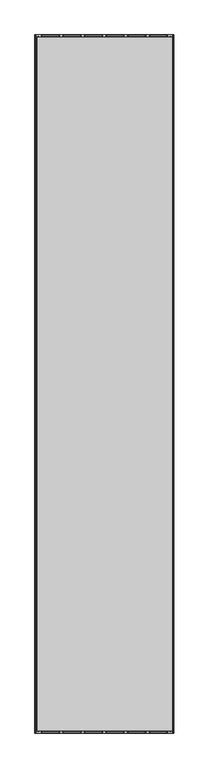
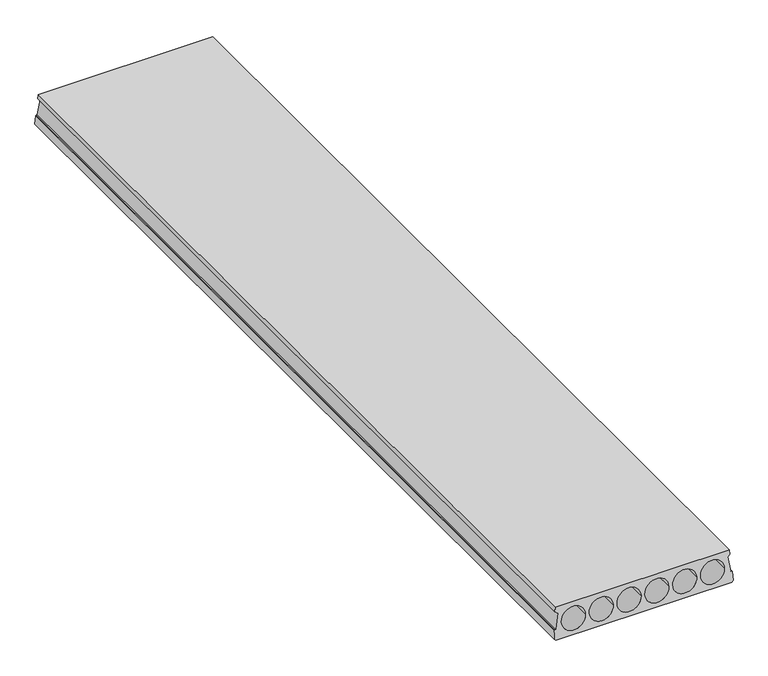
"""IFC4 building model written with IfcOpenShell, lengths in millimetres: beam geometry."""

from ifc_helpers import new_model, si_unit, frame, origin, place, context, project, spatial, polyline, ellipse_curve, source, transform, mapped, element, save
from ifc_brep_helpers import plane_surface, revolved_surface, advanced_brep


def beam_68b0482a(model_context):
    return source(origin(), model_context, "Body", "AdvancedBrep", [
        advanced_brep(
        [(10.0, 5980.0, 0.0), (1180.0, 5980.0, 0.0), (1180.0, 0.0, 0.0), (10.0, 0.0, 0.0), (1174.7696772, 15.0, 220.0), (1174.7696772, 5965.0, 220.0), (15.0, 5965.0, 220.0), (15.0, 15.0, 220.0), (12.8871596, 12.9831978, 190.4202344), (12.8871596, 5967.0168022, 190.4202344), (15.8795357, 5967.0313755, 190.2064933), (15.8795357, 12.9686245, 190.2064933), (29.9864516, 5967.9203443, 177.1682831), (29.9864516, 12.0796557, 177.1682831), (12.6021714, 5974.9446558, 74.1450488), (12.6021714, 5.0553442, 74.1450488), (7.3298897, 5975.1924012, 70.5114493), (7.3298897, 4.8075988, 70.5114493), (4.3580656, 5975.1582101, 71.0129189), (4.3580656, 4.8417899, 71.0129189), (0.0, 5979.3181818, 10.0), (0.0, 0.6818182, 10.0), (1190.0, 5979.3181818, 10.0), (1190.0, 0.6818182, 10.0), (1185.6391914, 5975.1555917, 71.051321), (1185.6391914, 4.8444083, 71.051321), (1182.4401418, 5975.1923971, 70.5115091), (1182.4401418, 4.8076029, 70.5115091), (1177.167566, 5974.9446379, 74.1453113), (1177.167566, 5.0553621, 74.1453113), (1159.9865416, 5967.9203386, 177.1683675), (1159.9865416, 12.0796614, 177.1683675), (1173.8901415, 5967.0313755, 190.2064933), (1173.8901415, 12.9686245, 190.2064933), (1176.8825176, 5967.0168022, 190.4202344), (1176.8825176, 12.9831978, 190.4202344), (212.0, 7.4401262, 109.1218503), (212.0, 5972.5598738, 109.1218503), (53.0, 5972.5598738, 109.1218503), (53.0, 7.4401262, 109.1218503), (397.0, 7.4401262, 109.1218503), (397.0, 5972.5598738, 109.1218503), (238.0, 5972.5598738, 109.1218503), (238.0, 7.4401262, 109.1218503), (423.0, 7.4401262, 109.1218503), (582.0, 7.4401262, 109.1218503), (608.0, 7.4401262, 109.1218503), (767.0, 7.4401262, 109.1218503), (793.0, 7.4401262, 109.1218503), (952.0, 7.4401262, 109.1218503), (978.0, 7.4401262, 109.1218503), (1137.0, 7.4401262, 109.1218503), (582.0, 5972.5598738, 109.1218503), (423.0, 5972.5598738, 109.1218503), (767.0, 5972.5598738, 109.1218503), (608.0, 5972.5598738, 109.1218503), (952.0, 5972.5598738, 109.1218503), (793.0, 5972.5598738, 109.1218503), (1137.0, 5972.5598738, 109.1218503), (978.0, 5972.5598738, 109.1218503)],
        [
            (0, 1),
            (1, 2),
            (2, 3),
            (3, 0),
            (4, 5),
            (5, 6),
            (6, 7),
            (7, 4),
            (8, 9),
            (9, 10),
            (10, 11),
            (11, 8),
            (10, 12),
            (12, 13),
            (13, 11),
            (12, 14),
            (14, 15),
            (15, 13),
            (14, 16),
            (16, 17),
            (17, 15),
            (16, 18),
            (18, 19),
            (19, 17),
            (18, 20),
            (20, 21),
            (21, 19),
            (3, 21),
            (20, 0),
            (1, 22),
            (22, 23),
            (23, 2),
            (22, 24),
            (24, 25),
            (25, 23),
            (24, 26),
            (26, 27),
            (27, 25),
            (26, 28),
            (28, 29),
            (29, 27),
            (28, 30),
            (30, 31),
            (31, 29),
            (30, 32),
            (32, 33),
            (33, 31),
            (32, 34),
            (34, 35),
            (35, 33),
            (34, 5),
            (4, 35),
            (36, 37),
            (37, 38, ellipse_curve(frame((132.5, 5972.5598738, 109.1218503), z_axis=(0.0, 0.9976836926815401, 0.0680238881373752), x_axis=(0.0, 0.06802388813737571, -0.9976836926815402)), 79.684574, 79.5)),
            (38, 39),
            (39, 36, ellipse_curve(frame((132.5, 7.4401262, 109.1218503), z_axis=(0.0, -0.9976836926815401, 0.06802388813737582), x_axis=(0.0, 0.06802388813737509, 0.9976836926815403)), 79.684574, 79.5)),
            (38, 37, ellipse_curve(frame((132.5, 5972.5598738, 109.1218503), z_axis=(0.0, 0.9976836926815401, 0.0680238881373752), x_axis=(0.0, 0.06802388813737571, -0.9976836926815402)), 79.684574, 79.5)),
            (36, 39, ellipse_curve(frame((132.5, 7.4401262, 109.1218503), z_axis=(0.0, -0.9976836926815401, 0.06802388813737582), x_axis=(0.0, 0.06802388813737509, 0.9976836926815403)), 79.684574, 79.5)),
            (40, 41),
            (41, 42, ellipse_curve(frame((317.5, 5972.5598738, 109.1218503), z_axis=(0.0, 0.9976836926815401, 0.0680238881373752), x_axis=(0.0, 0.06802388813737571, -0.9976836926815402)), 79.684574, 79.5)),
            (42, 43),
            (43, 40, ellipse_curve(frame((317.5, 7.4401262, 109.1218503), z_axis=(0.0, -0.9976836926815401, 0.06802388813737582), x_axis=(0.0, 0.06802388813737509, 0.9976836926815403)), 79.684574, 79.5)),
            (42, 41, ellipse_curve(frame((317.5, 5972.5598738, 109.1218503), z_axis=(0.0, 0.9976836926815401, 0.0680238881373752), x_axis=(0.0, 0.06802388813737571, -0.9976836926815402)), 79.684574, 79.5)),
            (40, 43, ellipse_curve(frame((317.5, 7.4401262, 109.1218503), z_axis=(0.0, -0.9976836926815401, 0.06802388813737582), x_axis=(0.0, 0.06802388813737509, 0.9976836926815403)), 79.684574, 79.5)),
            (7, 8),
            (44, 45, ellipse_curve(frame((502.5, 7.4401262, 109.1218503), z_axis=(0.0, 0.9976836926815401, -0.06802388813737582), x_axis=(0.0, 0.06802388813737509, 0.9976836926815403)), 79.684574, 79.5)),
            (45, 44, ellipse_curve(frame((502.5, 7.4401262, 109.1218503), z_axis=(0.0, 0.9976836926815401, -0.06802388813737582), x_axis=(0.0, 0.06802388813737509, 0.9976836926815403)), 79.684574, 79.5)),
            (46, 47, ellipse_curve(frame((687.5, 7.4401262, 109.1218503), z_axis=(0.0, 0.9976836926815401, -0.06802388813737582), x_axis=(0.0, 0.06802388813737509, 0.9976836926815403)), 79.684574, 79.5)),
            (47, 46, ellipse_curve(frame((687.5, 7.4401262, 109.1218503), z_axis=(0.0, 0.9976836926815401, -0.06802388813737582), x_axis=(0.0, 0.06802388813737509, 0.9976836926815403)), 79.684574, 79.5)),
            (48, 49, ellipse_curve(frame((872.5, 7.4401262, 109.1218503), z_axis=(0.0, 0.9976836926815401, -0.06802388813737582), x_axis=(0.0, 0.06802388813737509, 0.9976836926815403)), 79.684574, 79.5)),
            (49, 48, ellipse_curve(frame((872.5, 7.4401262, 109.1218503), z_axis=(0.0, 0.9976836926815401, -0.06802388813737582), x_axis=(0.0, 0.06802388813737509, 0.9976836926815403)), 79.684574, 79.5)),
            (50, 51, ellipse_curve(frame((1057.5, 7.4401262, 109.1218503), z_axis=(0.0, 0.9976836926815401, -0.06802388813737582), x_axis=(0.0, 0.06802388813737509, 0.9976836926815403)), 79.684574, 79.5)),
            (51, 50, ellipse_curve(frame((1057.5, 7.4401262, 109.1218503), z_axis=(0.0, 0.9976836926815401, -0.06802388813737582), x_axis=(0.0, 0.06802388813737509, 0.9976836926815403)), 79.684574, 79.5)),
            (9, 6),
            (52, 53, ellipse_curve(frame((502.5, 5972.5598738, 109.1218503), z_axis=(0.0, -0.9976836926815401, -0.0680238881373752), x_axis=(0.0, 0.06802388813737571, -0.9976836926815402)), 79.684574, 79.5)),
            (53, 52, ellipse_curve(frame((502.5, 5972.5598738, 109.1218503), z_axis=(0.0, -0.9976836926815401, -0.0680238881373752), x_axis=(0.0, 0.06802388813737571, -0.9976836926815402)), 79.684574, 79.5)),
            (54, 55, ellipse_curve(frame((687.5, 5972.5598738, 109.1218503), z_axis=(0.0, -0.9976836926815401, -0.0680238881373752), x_axis=(0.0, 0.06802388813737571, -0.9976836926815402)), 79.684574, 79.5)),
            (55, 54, ellipse_curve(frame((687.5, 5972.5598738, 109.1218503), z_axis=(0.0, -0.9976836926815401, -0.0680238881373752), x_axis=(0.0, 0.06802388813737571, -0.9976836926815402)), 79.684574, 79.5)),
            (56, 57, ellipse_curve(frame((872.5, 5972.5598738, 109.1218503), z_axis=(0.0, -0.9976836926815401, -0.0680238881373752), x_axis=(0.0, 0.06802388813737571, -0.9976836926815402)), 79.684574, 79.5)),
            (57, 56, ellipse_curve(frame((872.5, 5972.5598738, 109.1218503), z_axis=(0.0, -0.9976836926815401, -0.0680238881373752), x_axis=(0.0, 0.06802388813737571, -0.9976836926815402)), 79.684574, 79.5)),
            (58, 59, ellipse_curve(frame((1057.5, 5972.5598738, 109.1218503), z_axis=(0.0, -0.9976836926815401, -0.0680238881373752), x_axis=(0.0, 0.06802388813737571, -0.9976836926815402)), 79.684574, 79.5)),
            (59, 58, ellipse_curve(frame((1057.5, 5972.5598738, 109.1218503), z_axis=(0.0, -0.9976836926815401, -0.0680238881373752), x_axis=(0.0, 0.06802388813737571, -0.9976836926815402)), 79.684574, 79.5)),
            (45, 52),
            (53, 44),
            (47, 54),
            (55, 46),
            (49, 56),
            (57, 48),
            (51, 58),
            (59, 50),
        ],
        [
            plane_surface(frame((10.0, 5980.0, 0.0), z_axis=(0.0, 0.0, -1.0), x_axis=(0.0, -1.0, 0.0))),
            plane_surface(frame((1174.7696772, 5980.0, 220.0), z_axis=(0.0, 0.0, 1.0), x_axis=(0.0, -1.0, 0.0))),
            plane_surface(frame((12.8871596, 5980.0, 190.4202344), z_axis=(-0.07124704998790854, 0.0, -0.9974586998307351), x_axis=(0.0, -1.0, 0.0))),
            plane_surface(frame((15.8795357, 5980.0, 190.2064933), z_axis=(-0.6787421090247223, 0.0, -0.7343767081251095), x_axis=(0.0, -1.0, 0.0))),
            plane_surface(frame((29.9864516, 5980.0, 177.1682831), z_axis=(-0.986060169345494, 0.0, 0.16638912954377705), x_axis=(0.0, -1.0, 0.0))),
            plane_surface(frame((12.6021714, 5980.0, 74.1450488), z_axis=(-0.5674729108239465, 0.0, 0.8233920666857298), x_axis=(0.0, -1.0, 0.0))),
            plane_surface(frame((7.3298897, 5980.0, 70.5114493), z_axis=(0.1663891295437833, 0.0, 0.9860601693454929), x_axis=(0.0, -1.0, 0.0))),
            plane_surface(frame((4.3580656, 5980.0, 71.0129189), z_axis=(-0.9974586998307351, 0.0, 0.07124704998791023), x_axis=(0.0, -1.0, 0.0))),
            plane_surface(frame((0.0, 5980.0, 10.0), z_axis=(-0.7071067811865309, 0.0, -0.7071067811865641), x_axis=(0.0, -1.0, 0.0))),
            plane_surface(frame((1180.0, 5980.0, 0.0), z_axis=(0.7071067811866504, 0.0, -0.7071067811864447), x_axis=(0.0, -1.0, 0.0))),
            plane_surface(frame((1190.0, 5980.0, 10.0), z_axis=(0.9974586998307324, 0.0, 0.07124704998794615), x_axis=(0.0, -1.0, 0.0))),
            plane_surface(frame((1185.6391914, 5980.0, 71.051321), z_axis=(-0.16638912954377913, 0.0, 0.9860601693454937), x_axis=(0.0, -1.0, 0.0))),
            plane_surface(frame((1182.4401418, 5980.0, 70.5115091), z_axis=(0.5674729108239595, 0.0, 0.8233920666857208), x_axis=(0.0, -1.0, 0.0))),
            plane_surface(frame((1177.167566, 5980.0, 74.1453113), z_axis=(0.9863775932866558, 0.0, 0.16449694058560713), x_axis=(0.0, -1.0, 0.0))),
            plane_surface(frame((1159.9865416, 5980.0, 177.1683675), z_axis=(0.6840388775846207, 0.0, -0.729445552425109), x_axis=(0.0, -1.0, 0.0))),
            plane_surface(frame((1173.8901415, 5980.0, 190.2064933), z_axis=(0.07124704998787597, 0.0, -0.9974586998307374), x_axis=(0.0, -1.0, 0.0))),
            plane_surface(frame((1176.8825176, 5980.0, 190.4202344), z_axis=(0.9974586998307365, 0.0, 0.07124704998788906), x_axis=(0.0, -1.0, 0.0))),
            revolved_surface(polyline([(212.0, 5977.9803283480505, 109.1218503), (212.0, 2.0196716519496123, 109.1218503)]), (132.5, 0.0, 109.1218503), (0.0, 1.0, 0.0)),
            revolved_surface(polyline([(397.0, 5977.9803283480505, 109.1218503), (397.0, 2.0196716519496123, 109.1218503)]), (317.5, 0.0, 109.1218503), (0.0, 1.0, 0.0)),
            plane_surface(frame((1190.0, 15.0, 220.0), z_axis=(0.0, -0.9976836926815401, 0.06802388813737582), x_axis=(-1.0, 0.0, 0.0))),
            plane_surface(frame((1190.0, 5980.0, 0.0), z_axis=(0.0, 0.9976836926815401, 0.0680238881373752), x_axis=(-1.0, 0.0, 0.0))),
            revolved_surface(polyline([(582.0, 5977.9803283480505, 109.1218503), (582.0, 2.0196716519496123, 109.1218503)]), (502.5, 0.0, 109.1218503), (0.0, 1.0, 0.0)),
            plane_surface(frame((15.0, 5980.0, 220.0), z_axis=(-0.997458699830735, 0.0, 0.07124704998791008), x_axis=(0.0, -1.0, 0.0))),
            revolved_surface(polyline([(767.0, 5977.9803283480505, 109.1218503), (767.0, 2.0196716519496123, 109.1218503)]), (687.5, 0.0, 109.1218503), (0.0, 1.0, 0.0)),
            revolved_surface(polyline([(952.0, 5977.9803283480505, 109.1218503), (952.0, 2.0196716519496123, 109.1218503)]), (872.5, 0.0, 109.1218503), (0.0, 1.0, 0.0)),
            revolved_surface(polyline([(1137.0, 5977.9803283480505, 109.1218503), (1137.0, 2.0196716519496123, 109.1218503)]), (1057.5, 0.0, 109.1218503), (0.0, 1.0, 0.0)),
        ],
        [
            (0, [[1, 2, 3, 4]]),
            (1, [[5, 6, 7, 8]]),
            (2, [[9, 10, 11, 12]]),
            (3, [[-11, 13, 14, 15]]),
            (4, [[-14, 16, 17, 18]]),
            (5, [[-17, 19, 20, 21]]),
            (6, [[-20, 22, 23, 24]]),
            (7, [[-23, 25, 26, 27]]),
            (8, [[28, -26, 29, -4]]),
            (9, [[30, 31, 32, -2]]),
            (10, [[-31, 33, 34, 35]]),
            (11, [[-34, 36, 37, 38]]),
            (12, [[-37, 39, 40, 41]]),
            (13, [[-40, 42, 43, 44]]),
            (14, [[-43, 45, 46, 47]]),
            (15, [[-46, 48, 49, 50]]),
            (16, [[-49, 51, -5, 52]]),
            (17, [[53, 54, 55, 56]]),
            (17, [[-55, 57, -53, 58]]),
            (18, [[59, 60, 61, 62]]),
            (18, [[-61, 63, -59, 64]]),
            (19, [[-32, -35, -38, -41, -44, -47, -50, -52, -8, 65, -12, -15, -18, -21, -24, -27, -28, -3], [-58, -56], [-64, -62], [66, 67], [68, 69], [70, 71], [72, 73]]),
            (20, [[-29, -25, -22, -19, -16, -13, -10, 74, -6, -51, -48, -45, -42, -39, -36, -33, -30, -1], [-57, -54], [-63, -60], [75, 76], [77, 78], [79, 80], [81, 82]]),
            (21, [[-67, 83, -76, 84]]),
            (21, [[-75, -83, -66, -84]]),
            (22, [[-7, -74, -9, -65]]),
            (23, [[-69, 85, -78, 86]]),
            (23, [[-77, -85, -68, -86]]),
            (24, [[-71, 87, -80, 88]]),
            (24, [[-79, -87, -70, -88]]),
            (25, [[-73, 89, -82, 90]]),
            (25, [[-81, -89, -72, -90]]),
        ],
    ),
    ])


if __name__ == "__main__":
    model = new_model("IFC4")
    model_context = context("Model", 3, world=origin())
    ifc_project = project(units=[si_unit("LENGTHUNIT", "METRE", prefix="MILLI")], contexts=[model_context])
    site = spatial("IfcSite", under=ifc_project)
    building = spatial("IfcBuilding", under=site)
    placement = place(None, origin())
    beam_shape = beam_68b0482a(model_context)
    element("IfcBeam", 1, at=placement, inside=building, context=model_context, shape_type="MappedRepresentation", body=[
        mapped(beam_shape, transform((0.0, 0.0, 0.0), x_axis=(1.0, 0.0, 0.0), y_axis=(0.0, 1.0, 0.0), z_axis=(0.0, 0.0, 1.0))),
    ])
    save(model, "model.ifc")
